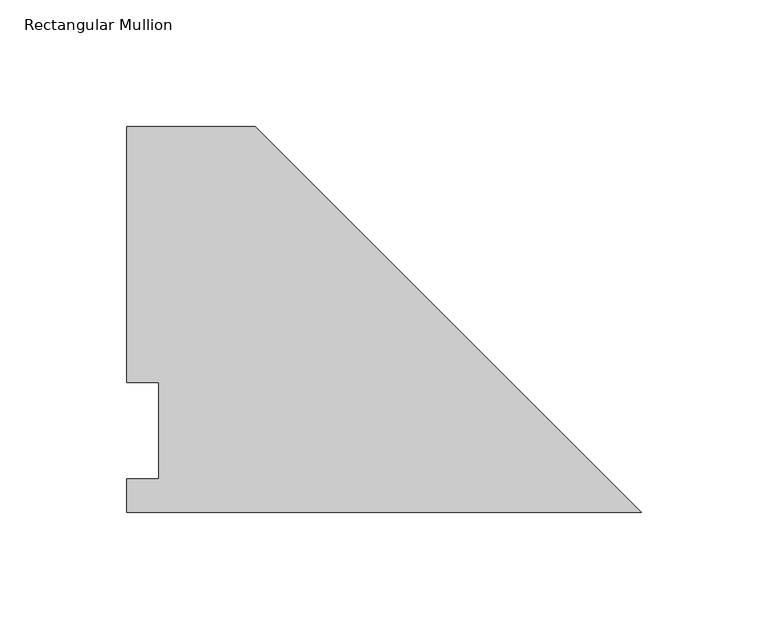
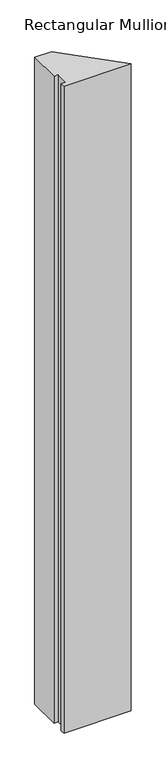
"""IFC4 building model written with IfcOpenShell, lengths in millimetres: member geometry, Rectangular Mullion."""

from ifc_helpers import new_model, si_unit, frame, origin, place, context, project, spatial, polyline, outline, extrude, source, transform, mapped, element, save


def rectangular_mullion_0ec67305(model_context):
    return source(origin(), model_context, "Body", "SweptSolid", [
        extrude(outline(polyline([(-203.2853182, 0.0134937), (-203.2853182, 13.1960938), (-190.5853182, 13.1960938), (-190.5853182, 51.2960938), (-203.2853182, 51.2960938), (-203.2853182, 152.4988119), (-152.4853182, 152.4988119), (0.0, 0.0134937), (-203.2853182, 0.0134937)])), frame((0.0, 0.0, -2070.1), z_axis=(0.0, 0.0, 1.0), x_axis=(1.0, 0.0, 0.0)), (0.0, 0.0, 1.0), 2070.1),
    ])


if __name__ == "__main__":
    model = new_model("IFC4")
    model_context = context("Model", 3, world=origin())
    ifc_project = project(units=[si_unit("LENGTHUNIT", "METRE", prefix="MILLI")], contexts=[model_context])
    site = spatial("IfcSite", under=ifc_project)
    building = spatial("IfcBuilding", under=site)
    placement = place(None, origin())
    rectangular_mullion_shape = rectangular_mullion_0ec67305(model_context)
    element("IfcMember", 1, ObjectType="Rectangular Mullion", at=placement, inside=building, context=model_context, shape_type="MappedRepresentation", body=[
        mapped(rectangular_mullion_shape, transform((0.0, 0.0, 0.0), x_axis=(1.0, 0.0, 0.0), y_axis=(0.0, 1.0, 0.0), z_axis=(0.0, 0.0, 1.0))),
    ])
    save(model, "model.ifc")
